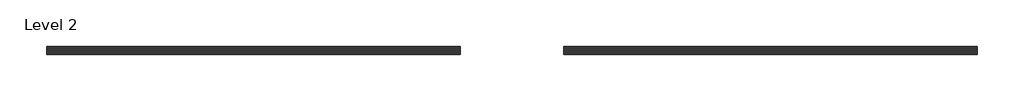
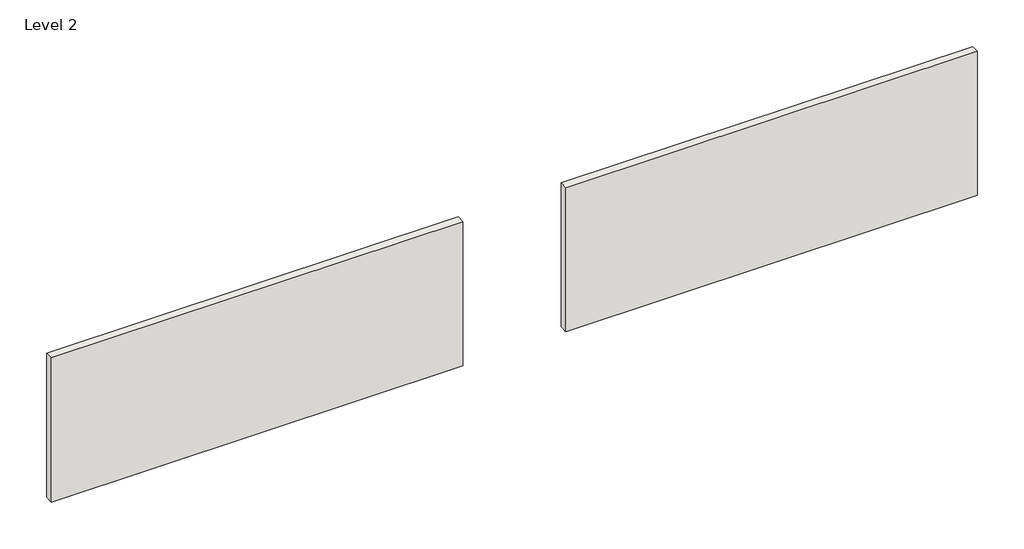
# One storey, part 1 of 2: 2 walls.
"""IFC4 building model written with IfcOpenShell, lengths in millimetres."""

import ifcopenshell
import ifcopenshell.guid

model = None  # the IFC model being written
_history = None  # IfcOwnerHistory: only IFC2X3 demands one
_inside = {}  # id of a spatial element -> (the spatial element, [elements in it])
_under = {}  # id of a project, library or spatial element -> (it, [spatial elements below it])
_declared = {}  # id of a project -> (the project, [libraries it declares])
_typed = {}  # id of a type object -> (the type object, [elements of that type])
_made_of = {}  # id of a material, layer set ... -> (it, [elements and type objects made of it])


def new_model(schema):
    """Start an empty IFC model of exactly this schema.

    Asked for "IFC4X3", IfcOpenShell would pick the latest addendum, in which some entities
    have other attributes; the version numbers below select the first issue.
    IFC2X3 requires an IfcOwnerHistory on every rooted entity: one is made here for all.
    """
    global model, _history
    if schema == "IFC4X3":
        model = ifcopenshell.file(schema_version=(4, 3, 0, 0))
    else:
        model = ifcopenshell.file(schema=schema)
    _inside.clear()
    _under.clear()
    _declared.clear()
    _typed.clear()
    _made_of.clear()
    _history = None
    if model.schema == "IFC2X3":
        org = make("IfcOrganization", Name="unknown")
        user = make(
            "IfcPersonAndOrganization",
            ThePerson=make("IfcPerson", FamilyName="unknown"),
            TheOrganization=org,
        )
        app = make(
            "IfcApplication",
            ApplicationDeveloper=org,
            Version="unknown",
            ApplicationFullName="unknown",
            ApplicationIdentifier="unknown",
        )
        _history = make(
            "IfcOwnerHistory",
            OwningUser=user,
            OwningApplication=app,
            ChangeAction="ADDED",
            CreationDate=0,
        )
    return model


def make(cls, **values):
    """One entity of the class cls with the attributes given. An attribute that is None is left unset."""
    return model.create_entity(
        cls, **{name: value for name, value in values.items() if value is not None}
    )


def rooted(cls, **values):
    """An entity with a GlobalId (a new one), such as an element, a storey or a relation."""
    return make(cls, GlobalId=ifcopenshell.guid.new(), OwnerHistory=_history, **values)


def si_unit(unit_type, name, prefix=None):
    """IfcSIUnit, for example si_unit("LENGTHUNIT", "METRE", prefix="MILLI")."""
    return make("IfcSIUnit", UnitType=unit_type, Prefix=prefix, Name=name)


def assignment(units):
    """IfcUnitAssignment: the units of a project."""
    return None if units is None else make("IfcUnitAssignment", Units=units)


def point(xyz):
    """IfcCartesianPoint."""
    return None if xyz is None else make("IfcCartesianPoint", Coordinates=xyz)


def direction(xyz):
    """IfcDirection."""
    return None if xyz is None else make("IfcDirection", DirectionRatios=xyz)


def frame(location, z_axis=None, x_axis=None):
    """IfcAxis2Placement3D, a coordinate frame: its origin and axes. An axis left out is left unset."""
    return make(
        "IfcAxis2Placement3D",
        Location=point(location),
        Axis=direction(z_axis),
        RefDirection=direction(x_axis),
    )


def origin():
    """The frame at (0, 0, 0) with its axes left unset."""
    return frame((0.0, 0.0, 0.0))


def place(relative_to, where):
    """IfcLocalPlacement: puts the frame where relative to a parent placement (None: the world)."""
    return make(
        "IfcLocalPlacement", PlacementRelTo=relative_to, RelativePlacement=where
    )


def context(
    kind, dimensions, precision=None, world=None, true_north=None, identifier=None
):
    """IfcGeometricRepresentationContext, for example the 3D "Model" context."""
    return make(
        "IfcGeometricRepresentationContext",
        ContextIdentifier=identifier,
        ContextType=kind,
        CoordinateSpaceDimension=dimensions,
        Precision=precision,
        WorldCoordinateSystem=world,
        TrueNorth=true_north,
    )


def project(units=None, contexts=None):
    """IfcProject with its units and contexts."""
    return rooted(
        "IfcProject",
        Name="project",
        RepresentationContexts=contexts,
        UnitsInContext=assignment(units),
    )


def spatial(cls, under=None, at=None, **own):
    """A site, building, storey or space (cls), placed at a placement, below another one or the project."""
    s = rooted(cls, ObjectPlacement=at, **own)
    if under is not None:
        _under.setdefault(under.id(), (under, []))[1].append(s)
    return s


def polyline(points):
    """IfcPolyline through the points."""
    return make("IfcPolyline", Points=[point(p) for p in points])


def outline(outer, holes=None, kind="AREA"):
    """IfcArbitraryClosedProfileDef: a profile drawn as a closed curve; with holes, ...WithVoids."""
    if holes is None:
        return make("IfcArbitraryClosedProfileDef", ProfileType=kind, OuterCurve=outer)
    return make(
        "IfcArbitraryProfileDefWithVoids",
        ProfileType=kind,
        OuterCurve=outer,
        InnerCurves=holes,
    )


def extrude(swept, where, along, depth):
    """IfcExtrudedAreaSolid: the profile swept, set in the frame where, extruded along a direction by depth."""
    return make(
        "IfcExtrudedAreaSolid",
        SweptArea=swept,
        Position=where,
        ExtrudedDirection=direction(along),
        Depth=depth,
    )


def shape(context_of_items, identifier, shape_type, items):
    """IfcShapeRepresentation: the items that make up one representation, for example the "Body"."""
    return make(
        "IfcShapeRepresentation",
        ContextOfItems=context_of_items,
        RepresentationIdentifier=identifier,
        RepresentationType=shape_type,
        Items=items,
    )


def made_of(thing, what):
    """Note that an element or type object is made of a material, layer set ...; save() writes the relation."""
    if what is not None:
        _made_of.setdefault(what.id(), (what, []))[1].append(thing)
    return thing


def element(
    cls,
    number,
    at=None,
    inside=None,
    cuts=None,
    type_object=None,
    material=None,
    context=None,
    identifier="Body",
    shape_type=None,
    held_by="IfcProductDefinitionShape",
    body=None,
    shapes=None,
    **own,
):
    """One element of the class cls, such as IfcWall. Its Tag is "e" and its number.

    at: its placement. inside: the storey or other place that contains it. cuts: it is an
    opening in that element (IfcRelVoidsElement). A single representation is given by context,
    identifier, shape_type and body (its items); several are given by shapes. held_by: the class
    of the entity that holds the representations. save() writes the other relations.
    """
    e = rooted(cls, Tag="e%d" % number, ObjectPlacement=at, **own)
    if body is not None:
        shapes = [shape(context, identifier, shape_type, body)]
    if shapes is not None:
        e.Representation = make(held_by, Representations=shapes)
    if inside is not None:
        _inside.setdefault(inside.id(), (inside, []))[1].append(e)
    if cuts is not None:
        rooted(
            "IfcRelVoidsElement", RelatingBuildingElement=cuts, RelatedOpeningElement=e
        )
    if type_object is not None:
        _typed.setdefault(type_object.id(), (type_object, []))[1].append(e)
    return made_of(e, material)


def aggregate(whole, parts):
    """IfcRelAggregates: a whole, such as a stair, and the parts it consists of."""
    return rooted("IfcRelAggregates", RelatingObject=whole, RelatedObjects=parts)


def save(model, path):
    """Write the relations noted so far, then the file.

    IfcRelAggregates (storeys below a building ...), IfcRelContainedInSpatialStructure (elements
    in a storey), IfcRelDefinesByType, IfcRelAssociatesMaterial and IfcRelDeclares: one each for
    every whole, place, type object, material and project.
    """
    for whole, parts in _under.values():
        aggregate(whole, parts)
    for where, things in _inside.values():
        rooted(
            "IfcRelContainedInSpatialStructure",
            RelatedElements=things,
            RelatingStructure=where,
        )
    for kind, things in _typed.values():
        rooted("IfcRelDefinesByType", RelatedObjects=things, RelatingType=kind)
    for what, things in _made_of.values():
        rooted("IfcRelAssociatesMaterial", RelatedObjects=things, RelatingMaterial=what)
    for by, libraries in _declared.values():
        rooted("IfcRelDeclares", RelatingContext=by, RelatedDefinitions=libraries)
    model.write(path)


model = new_model("IFC4")

# Units and contexts
model_context = context("Model", 3, world=origin())
ifc_project = project(units=[si_unit("LENGTHUNIT", "METRE", prefix="MILLI")], contexts=[model_context])

# Site, building, storey
site = spatial("IfcSite", under=ifc_project)
building = spatial("IfcBuilding", under=site)
storey = spatial("IfcBuildingStorey", under=building, Name="Level 2", Elevation=4000.0)

# Walls
placement = place(None, origin())
element("IfcWall", 1, ObjectType="Generic - 200mm", at=placement, inside=storey, context=model_context, shape_type="SweptSolid", body=[
    extrude(outline(polyline([(-12820.6583905, 246.8134722), (-2820.6583905, 246.8134722), (-2820.6583905, 46.8134722), (-12820.6583905, 46.8134722), (-12820.6583905, 246.8134722)])), frame((0.0, 0.0, 4300.0), z_axis=(0.0, 0.0, 1.0), x_axis=(1.0, 0.0, 0.0)), (0.0, 0.0, 1.0), 3700.0),
])
element("IfcWall", 2, ObjectType="Generic - 200mm", at=placement, inside=storey, context=model_context, shape_type="SweptSolid", body=[
    extrude(outline(polyline([(-25320.6583905, 246.8134722), (-15320.6583905, 246.8134722), (-15320.6583905, 46.8134722), (-25320.6583905, 46.8134722), (-25320.6583905, 246.8134722)])), frame((0.0, 0.0, 4300.0), z_axis=(0.0, 0.0, 1.0), x_axis=(1.0, 0.0, 0.0)), (0.0, 0.0, 1.0), 3700.0),
])

save(model, "model.ifc")
